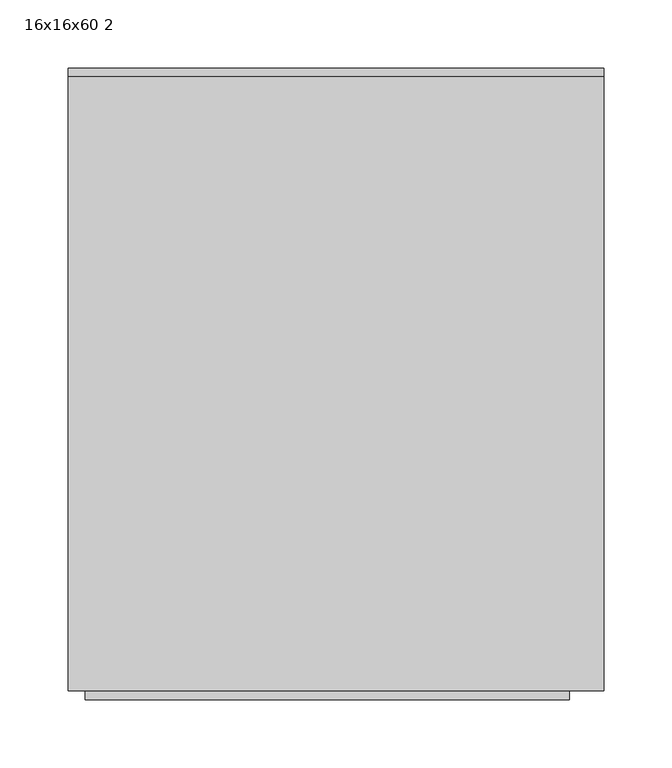
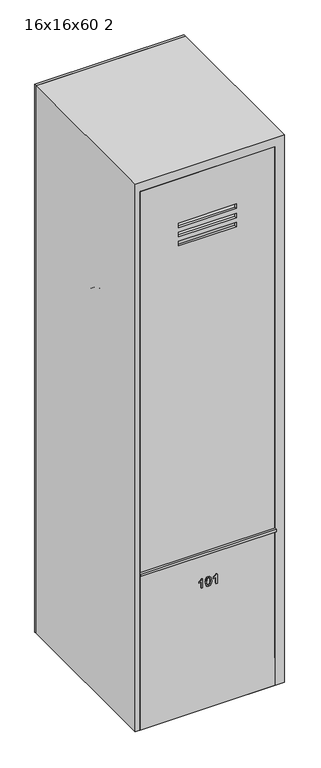
"""IFC4 building model written with IfcOpenShell, lengths in millimetres: furniture geometry, 16x16x60 2."""

from ifc_helpers import new_model, si_unit, point, frame, frame_2d, origin, origin_with_axes, place, context, project, spatial, polyline, circle_curve, trimmed, segment, composite_curve, outline, extrude, source, transform, mapped, element, save
from ifc_brep_helpers import plane_surface, cylinder_surface, revolved_surface, advanced_brep


def furniture_16x16x60_2_6b602b7e(model_context):
    return source(origin(), model_context, "Body", "SolidModel", [
        extrude(outline(polyline([(1498.6, 177.8), (1498.6, -177.8), (0.0, -177.8), (0.0, 177.8), (1498.6, 177.8)]), holes=[polyline([(1375.3615171, 76.2), (1362.6615171, 76.2), (1362.6615171, -76.2), (1375.3615171, -76.2), (1375.3615171, 76.2)]), polyline([(1349.9615171, 76.2), (1337.2615171, 76.2), (1337.2615171, -76.2), (1349.9615171, -76.2), (1349.9615171, 76.2)]), polyline([(1324.5615171, 76.2), (1311.8615171, 76.2), (1311.8615171, -76.2), (1324.5615171, -76.2), (1324.5615171, 76.2)])]), frame((0.0, -304.8, 0.0), z_axis=(0.0, 1.0, 0.0), x_axis=(0.0, 0.0, 1.0)), (0.0, 0.0, 1.0), 6.35),
        extrude(outline(polyline([(1524.0, 203.2), (1524.0, -190.5), (0.0, -190.5), (0.0, 203.2), (1524.0, 203.2)]), holes=[polyline([(76.2, -177.8), (1498.6, -177.8), (1498.6, 177.8), (76.2, 177.8), (76.2, -177.8)])]), frame((0.0, -304.8, 0.0), z_axis=(0.0, 1.0, 0.0), x_axis=(0.0, 0.0, 1.0)), (0.0, 0.0, 1.0), 450.85),
        extrude(outline(polyline([(203.2, 146.05), (-190.5, 146.05), (-190.5, 152.4), (203.2, 152.4), (203.2, 146.05)])), origin_with_axes(), (0.0, 0.0, 1.0), 1524.0),
        extrude(outline(polyline([(340.1012595, -13.8620087), (365.1104902, -13.8620087), (365.1104902, -15.8769126), (361.782846, -18.6580905), (358.8581826, -23.2404703), (355.9029902, -23.2404703), (357.4813316, -19.9494607), (359.5908749, -16.9881626), (340.1012595, -16.9881626), (340.1012595, -13.8620087)])), frame((0.0, -307.975, 0.0), z_axis=(0.0, 1.0, 0.0), x_axis=(0.0, 0.0, 1.0)), (0.0, 0.0, 1.0), 3.175),
        extrude(outline(polyline([(352.4043845, -6.4373933), (342.0917402, -3.9462395), (339.7104902, 1.7687605), (341.0812354, 6.3450345), (345.2392643, 9.0651547), (352.4043845, 9.9749143), (358.2811874, 9.4070778), (361.9812835, 7.9416932), (364.3045287, 5.4200105), (365.1104902, 1.7687605), (363.7489037, -2.7891962), (359.6000335, -5.5184751), (352.4043845, -6.4373933)]), holes=[polyline([(352.4104902, -3.3112395), (360.3113556, -1.7970087), (361.9843364, 1.7321259), (360.0854422, 5.432222), (352.4104902, 6.8487605), (344.6531104, 5.3833759), (342.8366441, 1.7687605), (344.6470047, -1.8458549), (352.4104902, -3.3112395)])]), frame((0.0, -307.975, 0.0), z_axis=(0.0, 1.0, 0.0), x_axis=(0.0, 0.0, 1.0)), (0.0, 0.0, 1.0), 3.175),
        extrude(outline(polyline([(340.1012595, 24.4333759), (365.1104902, 24.4333759), (365.1104902, 22.418472), (361.782846, 19.6372942), (358.8581826, 15.0549143), (355.9029902, 15.0549143), (357.4813316, 18.345924), (359.5908749, 21.307222), (340.1012595, 21.307222), (340.1012595, 24.4333759)])), frame((0.0, -307.975, 0.0), z_axis=(0.0, 1.0, 0.0), x_axis=(0.0, 0.0, 1.0)), (0.0, 0.0, 1.0), 3.175),
        advanced_brep(
        [(-158.75, -57.15, 1105.5799451), (-158.75, -95.25, 1105.5799451), (-165.1, -95.25, 1105.5799451), (-165.1, -57.15, 1105.5799451), (-146.05, -62.3205445, 1105.5799451), (-146.05, -90.0794555, 1105.5799451), (-158.75, -90.0794555, 1105.5799451), (-158.75, -62.3205445, 1105.5799451), (-165.1, -63.5, 1105.5799451), (-165.1, -88.9, 1105.5799451), (-146.05, -88.9, 1105.5799451), (-146.05, -63.5, 1105.5799451)],
        [
            (0, 1, circle_curve(frame((-158.75, -76.2, 1105.5799451), z_axis=(-1.0, 0.0, 0.0), x_axis=(0.0, -1.0, 0.0)), 19.05)),
            (1, 2),
            (2, 3, circle_curve(frame((-165.1, -76.2, 1105.5799451), z_axis=(1.0, 0.0, 0.0), x_axis=(0.0, -1.0, 0.0)), 19.05)),
            (3, 0),
            (4, 5, circle_curve(frame((-146.05, -76.2, 1105.5799451), z_axis=(-1.0, 0.0, 0.0), x_axis=(0.0, -1.0, 0.0)), 13.8794555)),
            (5, 6),
            (6, 7, circle_curve(frame((-158.75, -76.2, 1105.5799451), z_axis=(1.0, 0.0, 0.0), x_axis=(0.0, -1.0, 0.0)), 13.8794555)),
            (7, 4),
            (8, 9, circle_curve(frame((-165.1, -76.2, 1105.5799451), z_axis=(-1.0, 0.0, 0.0), x_axis=(0.0, -1.0, 0.0)), 12.7)),
            (9, 10),
            (10, 11, circle_curve(frame((-146.05, -76.2, 1105.5799451), z_axis=(1.0, 0.0, 0.0), x_axis=(0.0, -1.0, 0.0)), 12.7)),
            (11, 8),
            (2, 3, circle_curve(frame((-165.1, -76.2, 1105.5799451), z_axis=(-1.0, 0.0, 0.0), x_axis=(0.0, 1.0, 0.0)), 19.05)),
            (8, 9, circle_curve(frame((-165.1, -76.2, 1105.5799451), z_axis=(1.0, 0.0, 0.0), x_axis=(0.0, 1.0, 0.0)), 12.7)),
            (1, 0, circle_curve(frame((-158.75, -76.2, 1105.5799451), z_axis=(-1.0, 0.0, 0.0), x_axis=(0.0, 1.0, 0.0)), 19.05)),
            (6, 7, circle_curve(frame((-158.75, -76.2, 1105.5799451), z_axis=(-1.0, 0.0, 0.0), x_axis=(0.0, 1.0, 0.0)), 13.8794555)),
            (5, 4, circle_curve(frame((-146.05, -76.2, 1105.5799451), z_axis=(-1.0, 0.0, 0.0), x_axis=(0.0, 1.0, 0.0)), 13.8794555)),
            (10, 11, circle_curve(frame((-146.05, -76.2, 1105.5799451), z_axis=(-1.0, 0.0, 0.0), x_axis=(0.0, 1.0, 0.0)), 12.7)),
        ],
        [
            cylinder_surface(frame((0.0, -76.2, 1105.5799451), z_axis=(1.0, 0.0, 0.0), x_axis=(0.0, -1.0, 0.0)), 19.05),
            cylinder_surface(frame((0.0, -76.2, 1105.5799451), z_axis=(1.0, 0.0, 0.0), x_axis=(0.0, -1.0, 0.0)), 13.8794555),
            revolved_surface(polyline([(-146.05, -88.9, 1105.5799451), (-165.1, -88.9, 1105.5799451)]), (0.0, -76.2, 1105.5799451), (1.0, 0.0, 0.0)),
            plane_surface(frame((-165.1, -76.2, 1105.5799451), z_axis=(-1.0, 0.0, 0.0), x_axis=(0.0, 1.0, 0.0))),
            cylinder_surface(frame((0.0, -76.2, 1105.5799451), z_axis=(1.0, 0.0, 0.0), x_axis=(0.0, 1.0, 0.0)), 19.05),
            plane_surface(frame((-158.75, -76.2, 1105.5799451), z_axis=(1.0, 0.0, 0.0), x_axis=(0.0, 1.0, 0.0))),
            cylinder_surface(frame((0.0, -76.2, 1105.5799451), z_axis=(1.0, 0.0, 0.0), x_axis=(0.0, 1.0, 0.0)), 13.8794555),
            plane_surface(frame((-146.05, -76.2, 1105.5799451), z_axis=(1.0, 0.0, 0.0), x_axis=(0.0, 1.0, 0.0))),
            revolved_surface(polyline([(-146.05, -63.5, 1105.5799451), (-165.1, -63.5, 1105.5799451)]), (0.0, -76.2, 1105.5799451), (1.0, 0.0, 0.0)),
        ],
        [
            (0, [[1, 2, 3, 4]]),
            (1, [[5, 6, 7, 8]]),
            (2, [[9, 10, 11, 12]]),
            (3, [[13, -3], [14, -9]]),
            (4, [[15, -4, -13, -2]]),
            (5, [[-15, -1], [16, -7]]),
            (6, [[17, -8, -16, -6]]),
            (7, [[-17, -5], [18, -11]]),
            (8, [[-14, -12, -18, -10]]),
        ],
    ),
        advanced_brep(
        [(158.75, -63.5, 1105.5799451), (158.75, -88.9, 1105.5799451), (177.8, -88.9, 1105.5799451), (177.8, -63.5, 1105.5799451), (171.45, -62.3205445, 1105.5799451), (171.45, -90.0794555, 1105.5799451), (158.75, -90.0794555, 1105.5799451), (158.75, -62.3205445, 1105.5799451), (177.8, -57.15, 1105.5799451), (177.8, -95.25, 1105.5799451), (171.45, -95.25, 1105.5799451), (171.45, -57.15, 1105.5799451)],
        [
            (0, 1, circle_curve(frame((158.75, -76.2, 1105.5799451), z_axis=(-1.0, 0.0, 0.0), x_axis=(0.0, -1.0, 0.0)), 12.7)),
            (1, 2),
            (2, 3, circle_curve(frame((177.8, -76.2, 1105.5799451), z_axis=(1.0, 0.0, 0.0), x_axis=(0.0, -1.0, 0.0)), 12.7)),
            (3, 0),
            (4, 5, circle_curve(frame((171.45, -76.2, 1105.5799451), z_axis=(-1.0, 0.0, 0.0), x_axis=(0.0, -1.0, 0.0)), 13.8794555)),
            (5, 6),
            (6, 7, circle_curve(frame((158.75, -76.2, 1105.5799451), z_axis=(1.0, 0.0, 0.0), x_axis=(0.0, -1.0, 0.0)), 13.8794555)),
            (7, 4),
            (8, 9, circle_curve(frame((177.8, -76.2, 1105.5799451), z_axis=(-1.0, 0.0, 0.0), x_axis=(0.0, -1.0, 0.0)), 19.05)),
            (9, 10),
            (10, 11, circle_curve(frame((171.45, -76.2, 1105.5799451), z_axis=(1.0, 0.0, 0.0), x_axis=(0.0, -1.0, 0.0)), 19.05)),
            (11, 8),
            (1, 0, circle_curve(frame((158.75, -76.2, 1105.5799451), z_axis=(-1.0, 0.0, 0.0), x_axis=(0.0, 1.0, 0.0)), 12.7)),
            (3, 2, circle_curve(frame((177.8, -76.2, 1105.5799451), z_axis=(1.0, 0.0, 0.0), x_axis=(0.0, 1.0, 0.0)), 12.7)),
            (6, 7, circle_curve(frame((158.75, -76.2, 1105.5799451), z_axis=(-1.0, 0.0, 0.0), x_axis=(0.0, 1.0, 0.0)), 13.8794555)),
            (5, 4, circle_curve(frame((171.45, -76.2, 1105.5799451), z_axis=(-1.0, 0.0, 0.0), x_axis=(0.0, 1.0, 0.0)), 13.8794555)),
            (10, 11, circle_curve(frame((171.45, -76.2, 1105.5799451), z_axis=(-1.0, 0.0, 0.0), x_axis=(0.0, 1.0, 0.0)), 19.05)),
            (9, 8, circle_curve(frame((177.8, -76.2, 1105.5799451), z_axis=(-1.0, 0.0, 0.0), x_axis=(0.0, 1.0, 0.0)), 19.05)),
        ],
        [
            revolved_surface(polyline([(177.8, -88.9, 1105.5799451), (158.75, -88.9, 1105.5799451)]), (0.0, -76.2, 1105.5799451), (1.0, 0.0, 0.0)),
            cylinder_surface(frame((0.0, -76.2, 1105.5799451), z_axis=(1.0, 0.0, 0.0), x_axis=(0.0, -1.0, 0.0)), 13.8794555),
            cylinder_surface(frame((0.0, -76.2, 1105.5799451), z_axis=(1.0, 0.0, 0.0), x_axis=(0.0, -1.0, 0.0)), 19.05),
            revolved_surface(polyline([(177.8, -63.5, 1105.5799451), (158.75, -63.5, 1105.5799451)]), (0.0, -76.2, 1105.5799451), (1.0, 0.0, 0.0)),
            plane_surface(frame((158.75, -76.2, 1105.5799451), z_axis=(-1.0, 0.0, 0.0), x_axis=(0.0, 1.0, 0.0))),
            cylinder_surface(frame((0.0, -76.2, 1105.5799451), z_axis=(1.0, 0.0, 0.0), x_axis=(0.0, 1.0, 0.0)), 13.8794555),
            plane_surface(frame((171.45, -76.2, 1105.5799451), z_axis=(-1.0, 0.0, 0.0), x_axis=(0.0, 1.0, 0.0))),
            cylinder_surface(frame((0.0, -76.2, 1105.5799451), z_axis=(1.0, 0.0, 0.0), x_axis=(0.0, 1.0, 0.0)), 19.05),
            plane_surface(frame((177.8, -76.2, 1105.5799451), z_axis=(1.0, 0.0, 0.0), x_axis=(0.0, 1.0, 0.0))),
        ],
        [
            (0, [[1, 2, 3, 4]]),
            (1, [[5, 6, 7, 8]]),
            (2, [[9, 10, 11, 12]]),
            (3, [[13, -4, 14, -2]]),
            (4, [[15, -7], [-13, -1]]),
            (5, [[16, -8, -15, -6]]),
            (6, [[17, -11], [-16, -5]]),
            (7, [[18, -12, -17, -10]]),
            (8, [[-18, -9], [-14, -3]]),
        ],
    ),
        extrude(outline(polyline([(177.8, -311.15), (-177.8, -311.15), (-177.8, -279.4), (177.8, -279.4), (177.8, -311.15)])), frame((0.0, 0.0, 431.8), z_axis=(0.0, 0.0, 1.0), x_axis=(1.0, 0.0, 0.0)), (0.0, 0.0, 1.0), 6.35),
        extrude(outline(polyline([(177.8, -279.4), (-177.8, -279.4), (-177.8, -273.05), (177.8, -273.05), (177.8, -279.4)])), frame((0.0, 0.0, 76.2), z_axis=(0.0, 0.0, 1.0), x_axis=(1.0, 0.0, 0.0)), (0.0, 0.0, 1.0), 361.95),
        extrude(outline(composite_curve([segment(trimmed(circle_curve(frame_2d((-76.2, 1105.5799451)), 12.7), [point((-88.9, 1105.5799451))], [point((-63.5, 1105.5799451))], False, "CARTESIAN"), True, "CONTINUOUS"), segment(trimmed(circle_curve(frame_2d((-76.2, 1105.5799451)), 12.7), [point((-63.5, 1105.5799451))], [point((-88.9, 1105.5799451))], False, "CARTESIAN"), True, "CONTINUOUS")], self_intersect=False)), frame((-177.8, 0.0, 0.0), z_axis=(1.0, 0.0, 0.0), x_axis=(0.0, 1.0, 0.0)), (0.0, 0.0, 1.0), 355.6),
        extrude(outline(polyline([(165.1, -298.45), (-177.8, -298.45), (-177.8, 146.05), (165.1, 146.05), (165.1, -298.45)])), frame((0.0, 0.0, 1320.8), z_axis=(0.0, 0.0, 1.0), x_axis=(1.0, 0.0, 0.0)), (0.0, 0.0, 1.0), 6.35),
        extrude(outline(polyline([(177.8, -298.45), (-177.8, -298.45), (-177.8, 146.05), (177.8, 146.05), (177.8, -298.45)])), frame((0.0, 0.0, 438.15), z_axis=(0.0, 0.0, 1.0), x_axis=(1.0, 0.0, 0.0)), (0.0, 0.0, 1.0), 19.05),
    ])


if __name__ == "__main__":
    model = new_model("IFC4")
    model_context = context("Model", 3, world=origin())
    ifc_project = project(units=[si_unit("LENGTHUNIT", "METRE", prefix="MILLI")], contexts=[model_context])
    site = spatial("IfcSite", under=ifc_project)
    building = spatial("IfcBuilding", under=site)
    placement = place(None, origin())
    furniture_16x16x60_2_shape = furniture_16x16x60_2_6b602b7e(model_context)
    element("IfcFurniture", 1, ObjectType="16x16x60 2", at=placement, inside=building, context=model_context, shape_type="MappedRepresentation", body=[
        mapped(furniture_16x16x60_2_shape, transform((0.0, 0.0, 0.0), x_axis=(1.0, 0.0, 0.0), y_axis=(0.0, 1.0, 0.0), z_axis=(0.0, 0.0, 1.0))),
    ])
    save(model, "model.ifc")
